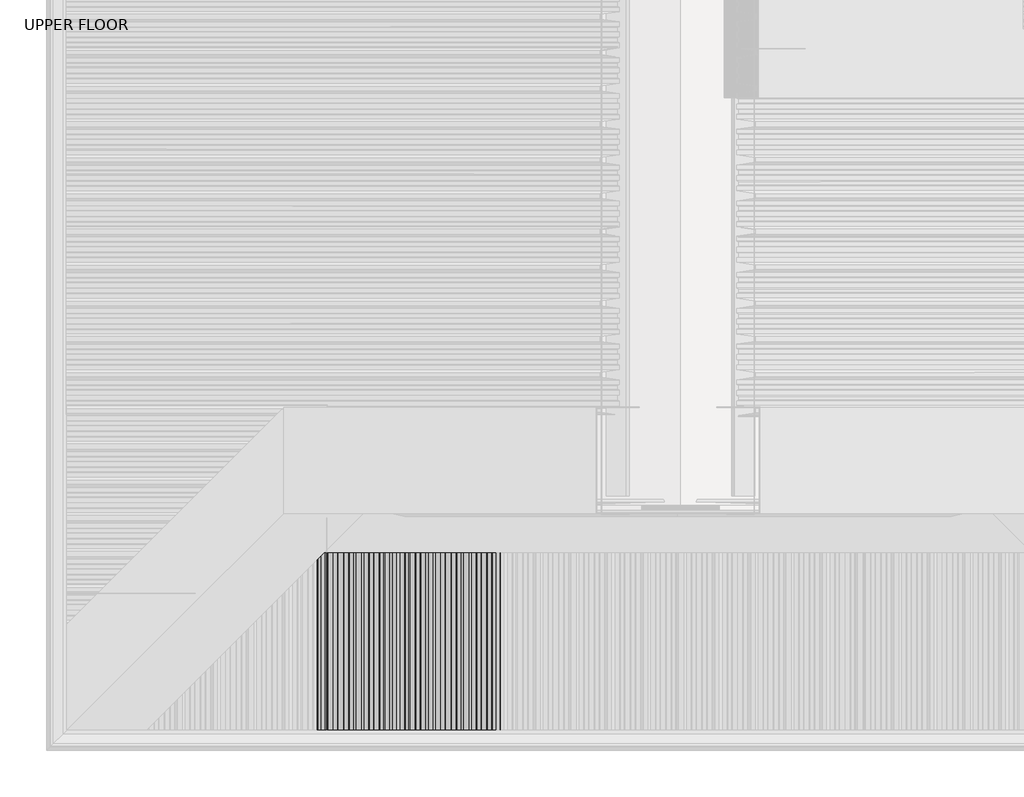
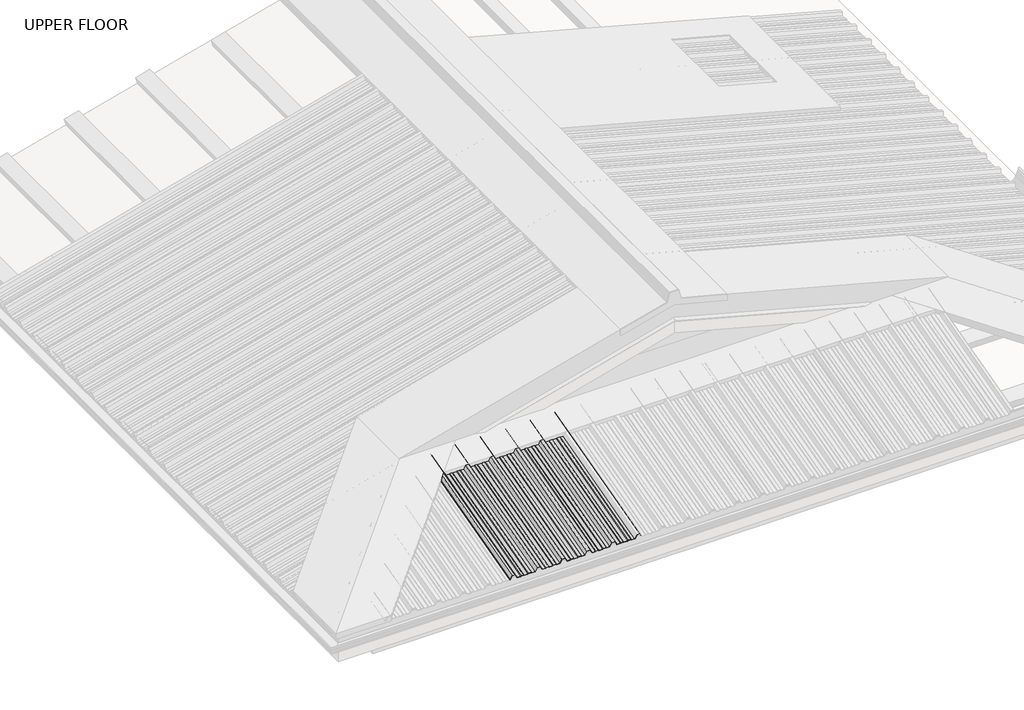
# One storey, part 4 of 21: 1 beam.
"""IFC4 building model written with IfcOpenShell, lengths in millimetres."""

from ifc_helpers import new_model, si_unit, frame, origin, place, context, project, spatial, circle_curve, ellipse_curve, element, save
from ifc_brep_helpers import plane_surface, cylinder_surface, advanced_brep

model = new_model("IFC4")

# Units and contexts
model_context = context("Model", 3, world=origin())
ifc_project = project(units=[si_unit("LENGTHUNIT", "METRE", prefix="MILLI")], contexts=[model_context])

# Site, building, storey
site = spatial("IfcSite", under=ifc_project)
building = spatial("IfcBuilding", under=site)
storey = spatial("IfcBuildingStorey", under=building, Name="UPPER FLOOR", Elevation=2700.0)

# Beam
placement = place(None, origin())
element("IfcBeam", 1, at=placement, inside=storey, context=model_context, shape_type="AdvancedBrep", body=[
    advanced_brep(
    [(1212.6640548, -3759.2956776, 3511.9124823), (1208.5374528, -3759.8133157, 3513.844334), (1190.9306177, -3759.8133157, 3513.844334), (1187.6664536, -3759.2956776, 3511.9124823), (1165.3794454, -3759.2956776, 3511.9124823), (1162.3379869, -3759.8133157, 3513.844334), (1146.6721831, -3759.8133157, 3513.844334), (1143.6285412, -3759.2956776, 3511.9124823), (1123.3061027, -3759.2956776, 3511.9124823), (1111.3207469, -3764.7308776, 3532.1969247), (1092.3195276, -3764.7308776, 3532.1969247), (1080.3061027, -3759.2956776, 3511.9124823), (1060.6640548, -3759.2956776, 3511.9124823), (1056.5374528, -3759.8133157, 3513.844334), (1038.9306177, -3759.8133157, 3513.844334), (1035.6664536, -3759.2956776, 3511.9124823), (1013.3794454, -3759.2956776, 3511.9124823), (1010.3379869, -3759.8133157, 3513.844334), (994.6721831, -3759.8133157, 3513.844334), (991.6285412, -3759.2956776, 3511.9124823), (971.3061027, -3759.2956776, 3511.9124823), (959.3207469, -3764.7308776, 3532.1969247), (940.3195276, -3764.7308776, 3532.1969247), (928.3061027, -3759.2956776, 3511.9124823), (908.6640548, -3759.2956776, 3511.9124823), (904.5374528, -3759.8133157, 3513.844334), (886.9306177, -3759.8133157, 3513.844334), (883.6664536, -3759.2956776, 3511.9124823), (861.3794454, -3759.2956776, 3511.9124823), (858.3379869, -3759.8133157, 3513.844334), (842.6721831, -3759.8133157, 3513.844334), (839.6285412, -3759.2956776, 3511.9124823), (819.3061027, -3759.2956776, 3511.9124823), (807.3207469, -3764.7308776, 3532.1969247), (788.3195276, -3764.7308776, 3532.1969247), (776.3061027, -3759.2956776, 3511.9124823), (756.6640548, -3759.2956776, 3511.9124823), (752.5374528, -3759.8133157, 3513.844334), (734.9306177, -3759.8133157, 3513.844334), (731.6664536, -3759.2956776, 3511.9124823), (709.3794454, -3759.2956776, 3511.9124823), (706.3379869, -3759.8133157, 3513.844334), (690.6721831, -3759.8133157, 3513.844334), (687.6285412, -3759.2956776, 3511.9124823), (667.3061027, -3759.2956776, 3511.9124823), (655.3207469, -3764.7308776, 3532.1969247), (636.3195276, -3764.7308776, 3532.1969247), (624.3061027, -3759.2956776, 3511.9124823), (604.6640548, -3759.2956776, 3511.9124823), (600.5374528, -3759.8133157, 3513.844334), (582.9306177, -3759.8133157, 3513.844334), (579.6664536, -3759.2956776, 3511.9124823), (557.3794454, -3759.2956776, 3511.9124823), (554.3379869, -3759.8133157, 3513.844334), (538.6721831, -3759.8133157, 3513.844334), (535.6285412, -3759.2956776, 3511.9124823), (515.3061027, -3759.2956776, 3511.9124823), (503.3207469, -3764.7308776, 3532.1969247), (484.3195276, -3764.7308776, 3532.1969247), (473.4502384, -3759.8133157, 3513.844334), (470.0147087, -3759.8133157, 3513.844334), (470.0147087, -3760.0721348, 3514.8102598), (472.9508481, -3760.0721348, 3514.8102598), (483.8201372, -3764.9896966, 3533.1628505), (503.8201372, -3764.9896966, 3533.1628505), (515.8054931, -3759.5544967, 3512.8784082), (535.3293902, -3759.5544967, 3512.8784082), (538.3730321, -3760.0721348, 3514.8102598), (554.6373174, -3760.0721348, 3514.8102598), (557.6787759, -3759.5544967, 3512.8784082), (579.3844584, -3759.5544967, 3512.8784082), (582.6486224, -3760.0721348, 3514.8102598), (600.7670127, -3760.0721348, 3514.8102598), (604.8936147, -3759.5544967, 3512.8784082), (623.8067123, -3759.5544967, 3512.8784082), (635.8201372, -3764.9896966, 3533.1628505), (655.8201372, -3764.9896966, 3533.1628505), (667.8054931, -3759.5544967, 3512.8784082), (687.3293902, -3759.5544967, 3512.8784082), (690.3730321, -3760.0721348, 3514.8102598), (706.6373174, -3760.0721348, 3514.8102598), (709.6787759, -3759.5544967, 3512.8784082), (731.3844584, -3759.5544967, 3512.8784082), (734.6486224, -3760.0721348, 3514.8102598), (752.7670127, -3760.0721348, 3514.8102598), (756.8936147, -3759.5544967, 3512.8784082), (775.8067123, -3759.5544967, 3512.8784082), (787.8201372, -3764.9896966, 3533.1628505), (807.8201372, -3764.9896966, 3533.1628505), (819.8054931, -3759.5544967, 3512.8784082), (839.3293902, -3759.5544967, 3512.8784082), (842.3730321, -3760.0721348, 3514.8102598), (858.6373174, -3760.0721348, 3514.8102598), (861.6787759, -3759.5544967, 3512.8784082), (883.3844584, -3759.5544967, 3512.8784082), (886.6486224, -3760.0721348, 3514.8102598), (904.7670127, -3760.0721348, 3514.8102598), (908.8936147, -3759.5544967, 3512.8784082), (927.8067123, -3759.5544967, 3512.8784082), (939.8201372, -3764.9896966, 3533.1628505), (959.8201372, -3764.9896966, 3533.1628505), (971.8054931, -3759.5544967, 3512.8784082), (991.3293902, -3759.5544967, 3512.8784082), (994.3730321, -3760.0721348, 3514.8102598), (1010.6373174, -3760.0721348, 3514.8102598), (1013.6787759, -3759.5544967, 3512.8784082), (1035.3844584, -3759.5544967, 3512.8784082), (1038.6486224, -3760.0721348, 3514.8102598), (1056.7670127, -3760.0721348, 3514.8102598), (1060.8936147, -3759.5544967, 3512.8784082), (1079.8067123, -3759.5544967, 3512.8784082), (1091.8201372, -3764.9896966, 3533.1628505), (1111.8201372, -3764.9896966, 3533.1628505), (1123.8054931, -3759.5544967, 3512.8784082), (1143.3293902, -3759.5544967, 3512.8784082), (1146.3730321, -3760.0721348, 3514.8102598), (1162.6373174, -3760.0721348, 3514.8102598), (1165.6787759, -3759.5544967, 3512.8784082), (1187.3844584, -3759.5544967, 3512.8784082), (1190.6486224, -3760.0721348, 3514.8102598), (1208.7670127, -3760.0721348, 3514.8102598), (1212.8936147, -3759.5544967, 3512.8784082), (1234.1108492, -3759.5544967, 3512.8784082), (1244.9801384, -3764.4720586, 3531.2309989), (1262.6587891, -3764.4720586, 3531.2309989), (1270.651034, -3760.8476815, 3517.7046396), (1269.8438422, -3760.7284463, 3517.2596477), (1262.1593987, -3764.2132395, 3530.265073), (1245.4795288, -3764.2132395, 3530.265073), (1234.6102396, -3759.2956776, 3511.9124823), (1212.6640548, -4660.4975954, 3270.4361563), (1208.5374528, -4660.4975954, 3272.5067086), (1190.9306177, -4660.4975954, 3272.5067086), (1187.6664536, -4660.4975954, 3270.4361563), (1165.3794454, -4660.4975954, 3270.4361563), (1162.3379869, -4660.4975954, 3272.5067086), (1146.6721831, -4660.4975954, 3272.5067086), (1143.6285412, -4660.4975954, 3270.4361563), (1123.3061027, -4660.4975954, 3270.4361563), (1111.3207469, -4660.4975954, 3292.176956), (1092.3195276, -4660.4975954, 3292.176956), (1080.3061027, -4660.4975954, 3270.4361563), (1060.6640548, -4660.4975954, 3270.4361563), (1056.5374528, -4660.4975954, 3272.5067086), (1038.9306177, -4660.4975954, 3272.5067086), (1035.6664536, -4660.4975954, 3270.4361563), (1013.3794454, -4660.4975954, 3270.4361563), (1010.3379869, -4660.4975954, 3272.5067086), (994.6721831, -4660.4975954, 3272.5067086), (991.6285412, -4660.4975954, 3270.4361563), (971.3061027, -4660.4975954, 3270.4361563), (959.3207469, -4660.4975954, 3292.176956), (940.3195276, -4660.4975954, 3292.176956), (928.3061027, -4660.4975954, 3270.4361563), (908.6640548, -4660.4975954, 3270.4361563), (904.5374528, -4660.4975954, 3272.5067086), (886.9306177, -4660.4975954, 3272.5067086), (883.6664536, -4660.4975954, 3270.4361563), (861.3794454, -4660.4975954, 3270.4361563), (858.3379869, -4660.4975954, 3272.5067086), (842.6721831, -4660.4975954, 3272.5067086), (839.6285412, -4660.4975954, 3270.4361563), (819.3061027, -4660.4975954, 3270.4361563), (807.3207469, -4660.4975954, 3292.176956), (788.3195276, -4660.4975954, 3292.176956), (776.3061027, -4660.4975954, 3270.4361563), (756.6640548, -4660.4975954, 3270.4361563), (752.5374528, -4660.4975954, 3272.5067086), (734.9306177, -4660.4975954, 3272.5067086), (731.6664536, -4660.4975954, 3270.4361563), (709.3794454, -4660.4975954, 3270.4361563), (706.3379869, -4660.4975954, 3272.5067086), (690.6721831, -4660.4975954, 3272.5067086), (687.6285412, -4660.4975954, 3270.4361563), (667.3061027, -4660.4975954, 3270.4361563), (655.3207469, -4660.4975954, 3292.176956), (636.3195276, -4660.4975954, 3292.176956), (624.3061027, -4660.4975954, 3270.4361563), (604.6640548, -4660.4975954, 3270.4361563), (600.5374528, -4660.4975954, 3272.5067086), (582.9306177, -4660.4975954, 3272.5067086), (579.6664536, -4660.4975954, 3270.4361563), (557.3794454, -4660.4975954, 3270.4361563), (554.3379869, -4660.4975954, 3272.5067086), (538.6721831, -4660.4975954, 3272.5067086), (535.6285412, -4660.4975954, 3270.4361563), (515.3061027, -4660.4975954, 3270.4361563), (503.3207469, -4660.4975954, 3292.176956), (484.3195276, -4660.4975954, 3292.176956), (473.4502384, -4660.4975954, 3272.5067086), (470.0147087, -4660.4975954, 3272.5067086), (470.0147087, -4660.4975954, 3273.5419848), (472.9508481, -4660.4975954, 3273.5419848), (483.8201372, -4660.4975954, 3293.2122322), (503.8201372, -4660.4975954, 3293.2122322), (515.8054931, -4660.4975954, 3271.4714324), (535.3293902, -4660.4975954, 3271.4714324), (538.3730321, -4660.4975954, 3273.5419848), (554.6373174, -4660.4975954, 3273.5419848), (557.6787759, -4660.4975954, 3271.4714324), (579.3844584, -4660.4975954, 3271.4714324), (582.6486224, -4660.4975954, 3273.5419848), (600.7670127, -4660.4975954, 3273.5419848), (604.8936147, -4660.4975954, 3271.4714324), (623.8067123, -4660.4975954, 3271.4714324), (635.8201372, -4660.4975954, 3293.2122322), (655.8201372, -4660.4975954, 3293.2122322), (667.8054931, -4660.4975954, 3271.4714324), (687.3293902, -4660.4975954, 3271.4714324), (690.3730321, -4660.4975954, 3273.5419848), (706.6373174, -4660.4975954, 3273.5419848), (709.6787759, -4660.4975954, 3271.4714324), (731.3844584, -4660.4975954, 3271.4714324), (734.6486224, -4660.4975954, 3273.5419848), (752.7670127, -4660.4975954, 3273.5419848), (756.8936147, -4660.4975954, 3271.4714324), (775.8067123, -4660.4975954, 3271.4714324), (787.8201372, -4660.4975954, 3293.2122322), (807.8201372, -4660.4975954, 3293.2122322), (819.8054931, -4660.4975954, 3271.4714324), (839.3293902, -4660.4975954, 3271.4714324), (842.3730321, -4660.4975954, 3273.5419848), (858.6373174, -4660.4975954, 3273.5419848), (861.6787759, -4660.4975954, 3271.4714324), (883.3844584, -4660.4975954, 3271.4714324), (886.6486224, -4660.4975954, 3273.5419848), (904.7670127, -4660.4975954, 3273.5419848), (908.8936147, -4660.4975954, 3271.4714324), (927.8067123, -4660.4975954, 3271.4714324), (939.8201372, -4660.4975954, 3293.2122322), (959.8201372, -4660.4975954, 3293.2122322), (971.8054931, -4660.4975954, 3271.4714324), (991.3293902, -4660.4975954, 3271.4714324), (994.3730321, -4660.4975954, 3273.5419848), (1010.6373174, -4660.4975954, 3273.5419848), (1013.6787759, -4660.4975954, 3271.4714324), (1035.3844584, -4660.4975954, 3271.4714324), (1038.6486224, -4660.4975954, 3273.5419848), (1056.7670127, -4660.4975954, 3273.5419848), (1060.8936147, -4660.4975954, 3271.4714324), (1079.8067123, -4660.4975954, 3271.4714324), (1091.8201372, -4660.4975954, 3293.2122322), (1111.8201372, -4660.4975954, 3293.2122322), (1123.8054931, -4660.4975954, 3271.4714324), (1143.3293902, -4660.4975954, 3271.4714324), (1146.3730321, -4660.4975954, 3273.5419848), (1162.6373174, -4660.4975954, 3273.5419848), (1165.6787759, -4660.4975954, 3271.4714324), (1187.3844584, -4660.4975954, 3271.4714324), (1190.6486224, -4660.4975954, 3273.5419848), (1208.7670127, -4660.4975954, 3273.5419848), (1212.8936147, -4660.4975954, 3271.4714324), (1234.1108492, -4660.4975954, 3271.4714324), (1244.9801384, -4660.4975954, 3291.1416799), (1262.6587891, -4660.4975954, 3291.1416799), (1270.651034, -4660.4975954, 3276.6441717), (1269.8438422, -4660.4975954, 3276.1672308), (1262.1593987, -4660.4975954, 3290.1064037), (1245.4795288, -4660.4975954, 3290.1064037), (1234.6102396, -4660.4975954, 3270.4361563)],
    [
        (0, 1),
        (1, 2),
        (2, 3),
        (3, 4),
        (4, 5),
        (5, 6),
        (6, 7),
        (7, 8),
        (8, 9),
        (9, 10),
        (10, 11),
        (11, 12),
        (12, 13),
        (13, 14),
        (14, 15),
        (15, 16),
        (16, 17),
        (17, 18),
        (18, 19),
        (19, 20),
        (20, 21),
        (21, 22),
        (22, 23),
        (23, 24),
        (24, 25),
        (25, 26),
        (26, 27),
        (27, 28),
        (28, 29),
        (29, 30),
        (30, 31),
        (31, 32),
        (32, 33),
        (33, 34),
        (34, 35),
        (35, 36),
        (36, 37),
        (37, 38),
        (38, 39),
        (39, 40),
        (40, 41),
        (41, 42),
        (42, 43),
        (43, 44),
        (44, 45),
        (45, 46),
        (46, 47),
        (47, 48),
        (48, 49),
        (49, 50),
        (50, 51),
        (51, 52),
        (52, 53),
        (53, 54),
        (54, 55),
        (55, 56),
        (56, 57),
        (57, 58),
        (58, 59),
        (59, 60),
        (60, 61, circle_curve(frame((470.0147087, -3759.9427253, 3514.3272969), z_axis=(0.0, 0.9659258262890683, 0.2588190451025206), x_axis=(-1.0000000000000002, 0.0, 0.0)), 0.5)),
        (61, 62),
        (62, 63),
        (63, 64),
        (64, 65),
        (65, 66),
        (66, 67),
        (67, 68),
        (68, 69),
        (69, 70),
        (70, 71),
        (71, 72),
        (72, 73),
        (73, 74),
        (74, 75),
        (75, 76),
        (76, 77),
        (77, 78),
        (78, 79),
        (79, 80),
        (80, 81),
        (81, 82),
        (82, 83),
        (83, 84),
        (84, 85),
        (85, 86),
        (86, 87),
        (87, 88),
        (88, 89),
        (89, 90),
        (90, 91),
        (91, 92),
        (92, 93),
        (93, 94),
        (94, 95),
        (95, 96),
        (96, 97),
        (97, 98),
        (98, 99),
        (99, 100),
        (100, 101),
        (101, 102),
        (102, 103),
        (103, 104),
        (104, 105),
        (105, 106),
        (106, 107),
        (107, 108),
        (108, 109),
        (109, 110),
        (110, 111),
        (111, 112),
        (112, 113),
        (113, 114),
        (114, 115),
        (115, 116),
        (116, 117),
        (117, 118),
        (118, 119),
        (119, 120),
        (120, 121),
        (121, 122),
        (122, 123),
        (123, 124),
        (124, 125),
        (125, 126, circle_curve(frame((1270.2474381, -3760.7880639, 3517.4821437), z_axis=(0.0, 0.9659258262890683, 0.2588190451025206), x_axis=(-1.0000000000000002, 0.0, 0.0)), 0.4647024)),
        (126, 127),
        (127, 128),
        (128, 129),
        (129, 0),
        (0, 130),
        (130, 131),
        (131, 1),
        (131, 132),
        (132, 2),
        (132, 133),
        (133, 3),
        (133, 134),
        (134, 4),
        (134, 135),
        (135, 5),
        (135, 136),
        (136, 6),
        (136, 137),
        (137, 7),
        (137, 138),
        (138, 8),
        (138, 139),
        (139, 9),
        (139, 140),
        (140, 10),
        (140, 141),
        (141, 11),
        (141, 142),
        (142, 12),
        (142, 143),
        (143, 13),
        (143, 144),
        (144, 14),
        (144, 145),
        (145, 15),
        (145, 146),
        (146, 16),
        (146, 147),
        (147, 17),
        (147, 148),
        (148, 18),
        (148, 149),
        (149, 19),
        (149, 150),
        (150, 20),
        (150, 151),
        (151, 21),
        (151, 152),
        (152, 22),
        (152, 153),
        (153, 23),
        (153, 154),
        (154, 24),
        (154, 155),
        (155, 25),
        (155, 156),
        (156, 26),
        (156, 157),
        (157, 27),
        (157, 158),
        (158, 28),
        (158, 159),
        (159, 29),
        (159, 160),
        (160, 30),
        (160, 161),
        (161, 31),
        (161, 162),
        (162, 32),
        (162, 163),
        (163, 33),
        (163, 164),
        (164, 34),
        (164, 165),
        (165, 35),
        (165, 166),
        (166, 36),
        (166, 167),
        (167, 37),
        (167, 168),
        (168, 38),
        (168, 169),
        (169, 39),
        (169, 170),
        (170, 40),
        (170, 171),
        (171, 41),
        (171, 172),
        (172, 42),
        (172, 173),
        (173, 43),
        (173, 174),
        (174, 44),
        (174, 175),
        (175, 45),
        (175, 176),
        (176, 46),
        (176, 177),
        (177, 47),
        (177, 178),
        (178, 48),
        (178, 179),
        (179, 49),
        (179, 180),
        (180, 50),
        (180, 181),
        (181, 51),
        (181, 182),
        (182, 52),
        (182, 183),
        (183, 53),
        (183, 184),
        (184, 54),
        (184, 185),
        (185, 55),
        (185, 186),
        (186, 56),
        (186, 187),
        (187, 57),
        (187, 188),
        (188, 58),
        (188, 189),
        (189, 59),
        (189, 190),
        (190, 60),
        (190, 191, ellipse_curve(frame((470.0147087, -4660.4975954, 3273.0243467), z_axis=(0.0, 1.0, 0.0), x_axis=(0.0, 0.0, 1.0)), 0.5176381, 0.5)),
        (191, 61),
        (191, 192),
        (192, 62),
        (192, 193),
        (193, 63),
        (193, 194),
        (194, 64),
        (194, 195),
        (195, 65),
        (195, 196),
        (196, 66),
        (196, 197),
        (197, 67),
        (197, 198),
        (198, 68),
        (198, 199),
        (199, 69),
        (199, 200),
        (200, 70),
        (200, 201),
        (201, 71),
        (201, 202),
        (202, 72),
        (202, 203),
        (203, 73),
        (203, 204),
        (204, 74),
        (204, 205),
        (205, 75),
        (205, 206),
        (206, 76),
        (206, 207),
        (207, 77),
        (207, 208),
        (208, 78),
        (208, 209),
        (209, 79),
        (209, 210),
        (210, 80),
        (210, 211),
        (211, 81),
        (211, 212),
        (212, 82),
        (212, 213),
        (213, 83),
        (213, 214),
        (214, 84),
        (214, 215),
        (215, 85),
        (215, 216),
        (216, 86),
        (216, 217),
        (217, 87),
        (217, 218),
        (218, 88),
        (218, 219),
        (219, 89),
        (219, 220),
        (220, 90),
        (220, 221),
        (221, 91),
        (221, 222),
        (222, 92),
        (222, 223),
        (223, 93),
        (223, 224),
        (224, 94),
        (224, 225),
        (225, 95),
        (225, 226),
        (226, 96),
        (226, 227),
        (227, 97),
        (227, 228),
        (228, 98),
        (228, 229),
        (229, 99),
        (229, 230),
        (230, 100),
        (230, 231),
        (231, 101),
        (231, 232),
        (232, 102),
        (232, 233),
        (233, 103),
        (233, 234),
        (234, 104),
        (234, 235),
        (235, 105),
        (235, 236),
        (236, 106),
        (236, 237),
        (237, 107),
        (237, 238),
        (238, 108),
        (238, 239),
        (239, 109),
        (239, 240),
        (240, 110),
        (240, 241),
        (241, 111),
        (241, 242),
        (242, 112),
        (242, 243),
        (243, 113),
        (243, 244),
        (244, 114),
        (244, 245),
        (245, 115),
        (245, 246),
        (246, 116),
        (246, 247),
        (247, 117),
        (247, 248),
        (248, 118),
        (248, 249),
        (249, 119),
        (249, 250),
        (250, 120),
        (250, 251),
        (251, 121),
        (251, 252),
        (252, 122),
        (252, 253),
        (253, 123),
        (253, 254),
        (254, 124),
        (254, 255),
        (255, 125),
        (255, 256, ellipse_curve(frame((1270.2474381, -4660.4975954, 3276.4057013), z_axis=(0.0, 1.0, 0.0), x_axis=(0.0, 0.0, 1.0)), 0.4810953, 0.4647024)),
        (256, 126),
        (256, 257),
        (257, 127),
        (257, 258),
        (258, 128),
        (258, 259),
        (259, 129),
        (259, 130),
    ],
    [
        plane_surface(frame((1212.6640548, -3759.2956776, 3511.9124823), z_axis=(0.0, 0.9659258262890684, 0.2588190451025203), x_axis=(-0.8998805887467904, -0.11288039666962545, 0.42127537554957795))),
        plane_surface(frame((1212.6640548, -3759.2956776, 3511.9124823), z_axis=(-0.43613636169978987, 0.23290623468573907, -0.8692179012467366), x_axis=(0.0, -0.9659258262890683, -0.2588190451025206))),
        plane_surface(frame((1208.5374528, -3759.8133157, 3513.844334), z_axis=(0.0, 0.2588190451025206, -0.9659258262890683), x_axis=(0.0, -0.9659258262890683, -0.2588190451025206))),
        plane_surface(frame((1190.9306177, -3759.8133157, 3513.844334), z_axis=(0.5224449573492955, 0.2206880149246298, -0.8236188843202413), x_axis=(0.0, -0.9659258262890683, -0.2588190451025206))),
        plane_surface(frame((1187.6664536, -3759.2956776, 3511.9124823), z_axis=(0.0, 0.2588190451025206, -0.9659258262890683), x_axis=(0.0, -0.9659258262890683, -0.2588190451025206))),
        plane_surface(frame((1165.3794454, -3759.2956776, 3511.9124823), z_axis=(-0.5494325148836754, 0.2162531724200961, -0.8070678267697482), x_axis=(0.0, -0.9659258262890683, -0.2588190451025206))),
        plane_surface(frame((1162.3379869, -3759.8133157, 3513.844334), z_axis=(0.0, 0.2588190451025206, -0.9659258262890683), x_axis=(0.0, -0.9659258262890683, -0.2588190451025206))),
        plane_surface(frame((1146.6721831, -3759.8133157, 3513.844334), z_axis=(0.5491572662555969, 0.21630000128988544, -0.8072425944910705), x_axis=(0.0, -0.9659258262890683, -0.2588190451025206))),
        plane_surface(frame((1143.6285412, -3759.2956776, 3511.9124823), z_axis=(0.0, 0.2588190451025206, -0.9659258262890683), x_axis=(0.0, -0.9659258262890683, -0.2588190451025206))),
        plane_surface(frame((1123.3061027, -3759.2956776, 3511.9124823), z_axis=(-0.8685039140295309, 0.12829202185299526, -0.47879234376110924), x_axis=(0.0, -0.9659258262890683, -0.2588190451025206))),
        plane_surface(frame((1111.3207469, -3764.7308776, 3532.1969247), z_axis=(0.0, 0.2588190451025206, -0.9659258262890683), x_axis=(0.0, -0.9659258262890683, -0.2588190451025206))),
        plane_surface(frame((1092.3195276, -3764.7308776, 3532.1969247), z_axis=(0.8680040081860072, 0.12851845745027873, -0.47963741291482553), x_axis=(0.0, -0.9659258262890683, -0.2588190451025206))),
        plane_surface(frame((1080.3061027, -3759.2956776, 3511.9124823), z_axis=(0.0, 0.2588190451025206, -0.9659258262890683), x_axis=(0.0, -0.9659258262890683, -0.2588190451025206))),
        plane_surface(frame((1060.6640548, -3759.2956776, 3511.9124823), z_axis=(-0.43613636169978987, 0.23290623468573907, -0.8692179012467366), x_axis=(0.0, -0.9659258262890683, -0.2588190451025206))),
        plane_surface(frame((1056.5374528, -3759.8133157, 3513.844334), z_axis=(0.0, 0.2588190451025206, -0.9659258262890683), x_axis=(0.0, -0.9659258262890683, -0.2588190451025206))),
        plane_surface(frame((1038.9306177, -3759.8133157, 3513.844334), z_axis=(0.5224449573492995, 0.22068801492462917, -0.823618884320239), x_axis=(0.0, -0.9659258262890683, -0.2588190451025206))),
        plane_surface(frame((1035.6664536, -3759.2956776, 3511.9124823), z_axis=(0.0, 0.2588190451025206, -0.9659258262890683), x_axis=(0.0, -0.9659258262890683, -0.2588190451025206))),
        plane_surface(frame((1013.3794454, -3759.2956776, 3511.9124823), z_axis=(-0.5494325148836772, 0.21625317242009579, -0.807067826769747), x_axis=(0.0, -0.9659258262890683, -0.2588190451025206))),
        plane_surface(frame((1010.3379869, -3759.8133157, 3513.844334), z_axis=(0.0, 0.2588190451025206, -0.9659258262890683), x_axis=(0.0, -0.9659258262890683, -0.2588190451025206))),
        plane_surface(frame((994.6721831, -3759.8133157, 3513.844334), z_axis=(0.5491572662555921, 0.21630000128988627, -0.8072425944910736), x_axis=(0.0, -0.9659258262890683, -0.2588190451025206))),
        plane_surface(frame((991.6285412, -3759.2956776, 3511.9124823), z_axis=(0.0, 0.2588190451025206, -0.9659258262890683), x_axis=(0.0, -0.9659258262890683, -0.2588190451025206))),
        plane_surface(frame((971.3061027, -3759.2956776, 3511.9124823), z_axis=(-0.8685039140295301, 0.12829202185299549, -0.4787923437611103), x_axis=(0.0, -0.9659258262890683, -0.2588190451025206))),
        plane_surface(frame((959.3207469, -3764.7308776, 3532.1969247), z_axis=(0.0, 0.2588190451025206, -0.9659258262890683), x_axis=(0.0, -0.9659258262890683, -0.2588190451025206))),
        plane_surface(frame((940.3195276, -3764.7308776, 3532.1969247), z_axis=(0.8680040081860078, 0.12851845745027846, -0.4796374129148245), x_axis=(0.0, -0.9659258262890683, -0.2588190451025206))),
        plane_surface(frame((928.3061027, -3759.2956776, 3511.9124823), z_axis=(0.0, 0.2588190451025206, -0.9659258262890683), x_axis=(0.0, -0.9659258262890683, -0.2588190451025206))),
        plane_surface(frame((908.6640548, -3759.2956776, 3511.9124823), z_axis=(-0.436136361699787, 0.23290623468573945, -0.8692179012467379), x_axis=(0.0, -0.9659258262890683, -0.2588190451025206))),
        plane_surface(frame((904.5374528, -3759.8133157, 3513.844334), z_axis=(0.0, 0.2588190451025206, -0.9659258262890683), x_axis=(0.0, -0.9659258262890683, -0.2588190451025206))),
        plane_surface(frame((886.9306177, -3759.8133157, 3513.844334), z_axis=(0.522444957349302, 0.2206880149246288, -0.8236188843202376), x_axis=(0.0, -0.9659258262890683, -0.2588190451025206))),
        plane_surface(frame((883.6664536, -3759.2956776, 3511.9124823), z_axis=(0.0, 0.2588190451025206, -0.9659258262890683), x_axis=(0.0, -0.9659258262890683, -0.2588190451025206))),
        plane_surface(frame((861.3794454, -3759.2956776, 3511.9124823), z_axis=(-0.5494325148836601, 0.21625317242009867, -0.8070678267697579), x_axis=(0.0, -0.9659258262890683, -0.2588190451025206))),
        plane_surface(frame((858.3379869, -3759.8133157, 3513.844334), z_axis=(0.0, 0.2588190451025206, -0.9659258262890683), x_axis=(0.0, -0.9659258262890683, -0.2588190451025206))),
        plane_surface(frame((842.6721831, -3759.8133157, 3513.844334), z_axis=(0.5491572662555921, 0.21630000128988627, -0.8072425944910736), x_axis=(0.0, -0.9659258262890683, -0.2588190451025206))),
        plane_surface(frame((839.6285412, -3759.2956776, 3511.9124823), z_axis=(0.0, 0.2588190451025206, -0.9659258262890683), x_axis=(0.0, -0.9659258262890683, -0.2588190451025206))),
        plane_surface(frame((819.3061027, -3759.2956776, 3511.9124823), z_axis=(-0.8685039140295309, 0.12829202185299524, -0.47879234376110924), x_axis=(0.0, -0.9659258262890683, -0.2588190451025206))),
        plane_surface(frame((807.3207469, -3764.7308776, 3532.1969247), z_axis=(0.0, 0.2588190451025206, -0.9659258262890683), x_axis=(0.0, -0.9659258262890683, -0.2588190451025206))),
        plane_surface(frame((788.3195276, -3764.7308776, 3532.1969247), z_axis=(0.8680040081860078, 0.12851845745027846, -0.4796374129148245), x_axis=(0.0, -0.9659258262890683, -0.2588190451025206))),
        plane_surface(frame((776.3061027, -3759.2956776, 3511.9124823), z_axis=(0.0, 0.2588190451025206, -0.9659258262890683), x_axis=(0.0, -0.9659258262890683, -0.2588190451025206))),
        plane_surface(frame((756.6640548, -3759.2956776, 3511.9124823), z_axis=(-0.43613636169978987, 0.23290623468573907, -0.8692179012467366), x_axis=(0.0, -0.9659258262890683, -0.2588190451025206))),
        plane_surface(frame((752.5374528, -3759.8133157, 3513.844334), z_axis=(0.0, 0.2588190451025206, -0.9659258262890683), x_axis=(0.0, -0.9659258262890683, -0.2588190451025206))),
        plane_surface(frame((734.9306177, -3759.8133157, 3513.844334), z_axis=(0.5224449573492986, 0.22068801492462928, -0.8236188843202394), x_axis=(0.0, -0.9659258262890683, -0.2588190451025206))),
        plane_surface(frame((731.6664536, -3759.2956776, 3511.9124823), z_axis=(0.0, 0.2588190451025206, -0.9659258262890683), x_axis=(0.0, -0.9659258262890683, -0.2588190451025206))),
        plane_surface(frame((709.3794454, -3759.2956776, 3511.9124823), z_axis=(-0.5494325148836686, 0.21625317242009726, -0.8070678267697524), x_axis=(0.0, -0.9659258262890683, -0.2588190451025206))),
        plane_surface(frame((706.3379869, -3759.8133157, 3513.844334), z_axis=(0.0, 0.2588190451025206, -0.9659258262890683), x_axis=(0.0, -0.9659258262890683, -0.2588190451025206))),
        plane_surface(frame((690.6721831, -3759.8133157, 3513.844334), z_axis=(0.5491572662555904, 0.21630000128988655, -0.8072425944910747), x_axis=(0.0, -0.9659258262890683, -0.2588190451025206))),
        plane_surface(frame((687.6285412, -3759.2956776, 3511.9124823), z_axis=(0.0, 0.2588190451025206, -0.9659258262890683), x_axis=(0.0, -0.9659258262890683, -0.2588190451025206))),
        plane_surface(frame((667.3061027, -3759.2956776, 3511.9124823), z_axis=(-0.8685039140295304, 0.12829202185299524, -0.4787923437611093), x_axis=(0.0, -0.9659258262890683, -0.2588190451025206))),
        plane_surface(frame((655.3207469, -3764.7308776, 3532.1969247), z_axis=(0.0, 0.2588190451025206, -0.9659258262890683), x_axis=(0.0, -0.9659258262890683, -0.2588190451025206))),
        plane_surface(frame((636.3195276, -3764.7308776, 3532.1969247), z_axis=(0.8680040081860078, 0.12851845745027823, -0.47963741291482453), x_axis=(0.0, -0.9659258262890683, -0.2588190451025205))),
        plane_surface(frame((624.3061027, -3759.2956776, 3511.9124823), z_axis=(0.0, 0.2588190451025206, -0.9659258262890683), x_axis=(0.0, -0.9659258262890683, -0.2588190451025206))),
        plane_surface(frame((604.6640548, -3759.2956776, 3511.9124823), z_axis=(-0.4361363616997928, 0.23290623468573884, -0.8692179012467353), x_axis=(0.0, -0.9659258262890683, -0.25881904510252063))),
        plane_surface(frame((600.5374528, -3759.8133157, 3513.844334), z_axis=(0.0, 0.2588190451025206, -0.9659258262890683), x_axis=(0.0, -0.9659258262890683, -0.2588190451025206))),
        plane_surface(frame((582.9306177, -3759.8133157, 3513.844334), z_axis=(0.5224449573492986, 0.22068801492462925, -0.8236188843202394), x_axis=(0.0, -0.9659258262890683, -0.2588190451025206))),
        plane_surface(frame((579.6664536, -3759.2956776, 3511.9124823), z_axis=(0.0, 0.2588190451025206, -0.9659258262890683), x_axis=(0.0, -0.9659258262890683, -0.2588190451025206))),
        plane_surface(frame((557.3794454, -3759.2956776, 3511.9124823), z_axis=(-0.5494325148836804, 0.21625317242009529, -0.807067826769745), x_axis=(0.0, -0.9659258262890683, -0.2588190451025206))),
        plane_surface(frame((554.3379869, -3759.8133157, 3513.844334), z_axis=(0.0, 0.2588190451025206, -0.9659258262890683), x_axis=(0.0, -0.9659258262890683, -0.2588190451025206))),
        plane_surface(frame((538.6721831, -3759.8133157, 3513.844334), z_axis=(0.5491572662555952, 0.21630000128988566, -0.8072425944910716), x_axis=(0.0, -0.9659258262890683, -0.2588190451025206))),
        plane_surface(frame((535.6285412, -3759.2956776, 3511.9124823), z_axis=(0.0, 0.2588190451025206, -0.9659258262890683), x_axis=(0.0, -0.9659258262890683, -0.2588190451025206))),
        plane_surface(frame((515.3061027, -3759.2956776, 3511.9124823), z_axis=(-0.868503914029533, 0.12829202185299426, -0.47879234376110547), x_axis=(0.0, -0.9659258262890683, -0.2588190451025206))),
        plane_surface(frame((503.3207469, -3764.7308776, 3532.1969247), z_axis=(0.0, 0.2588190451025206, -0.9659258262890683), x_axis=(0.0, -0.9659258262890683, -0.2588190451025206))),
        plane_surface(frame((484.3195276, -3764.7308776, 3532.1969247), z_axis=(0.8680040081860114, 0.12851845745027676, -0.4796374129148184), x_axis=(0.0, -0.9659258262890683, -0.2588190451025206))),
        plane_surface(frame((473.4502384, -3759.8133157, 3513.844334), z_axis=(0.0, 0.2588190451025206, -0.9659258262890683), x_axis=(0.0, -0.9659258262890683, -0.2588190451025206))),
        cylinder_surface(frame((470.0147087, -4672.7430827, 3269.7431783), z_axis=(0.0, 0.9659258262890683, 0.2588190451025206), x_axis=(-1.0000000000000002, 0.0, 0.0)), 0.5),
        plane_surface(frame((470.0147087, -3760.0721348, 3514.8102598), z_axis=(0.0, -0.2588190451025206, 0.9659258262890683), x_axis=(0.0, -0.9659258262890683, -0.2588190451025206))),
        plane_surface(frame((472.9508481, -3760.0721348, 3514.8102598), z_axis=(-0.8680040081860114, -0.12851845745027676, 0.4796374129148184), x_axis=(0.0, -0.9659258262890683, -0.2588190451025206))),
        plane_surface(frame((483.8201372, -3764.9896966, 3533.1628505), z_axis=(0.0, -0.2588190451025206, 0.9659258262890683), x_axis=(0.0, -0.9659258262890683, -0.2588190451025206))),
        plane_surface(frame((503.8201372, -3764.9896966, 3533.1628505), z_axis=(0.8685039140295302, -0.1282920218529955, 0.4787923437611101), x_axis=(0.0, -0.9659258262890683, -0.2588190451025206))),
        plane_surface(frame((515.8054931, -3759.5544967, 3512.8784082), z_axis=(0.0, -0.2588190451025206, 0.9659258262890683), x_axis=(0.0, -0.9659258262890683, -0.2588190451025206))),
        plane_surface(frame((535.3293902, -3759.5544967, 3512.8784082), z_axis=(-0.549157266255592, -0.21630000128988622, 0.8072425944910736), x_axis=(0.0, -0.9659258262890683, -0.2588190451025206))),
        plane_surface(frame((538.3730321, -3760.0721348, 3514.8102598), z_axis=(0.0, -0.2588190451025206, 0.9659258262890683), x_axis=(0.0, -0.9659258262890683, -0.2588190451025206))),
        plane_surface(frame((554.6373174, -3760.0721348, 3514.8102598), z_axis=(0.5494325148836804, -0.21625317242009529, 0.807067826769745), x_axis=(0.0, -0.9659258262890683, -0.2588190451025206))),
        plane_surface(frame((557.6787759, -3759.5544967, 3512.8784082), z_axis=(0.0, -0.2588190451025206, 0.9659258262890683), x_axis=(0.0, -0.9659258262890683, -0.2588190451025206))),
        plane_surface(frame((579.3844584, -3759.5544967, 3512.8784082), z_axis=(-0.5224449573493112, -0.22068801492462728, 0.823618884320232), x_axis=(0.0, -0.9659258262890683, -0.2588190451025206))),
        plane_surface(frame((582.6486224, -3760.0721348, 3514.8102598), z_axis=(0.0, -0.2588190451025206, 0.9659258262890683), x_axis=(0.0, -0.9659258262890683, -0.2588190451025206))),
        plane_surface(frame((600.7670127, -3760.0721348, 3514.8102598), z_axis=(0.43613636169978987, -0.2329062346857391, 0.8692179012467366), x_axis=(0.0, -0.9659258262890683, -0.2588190451025206))),
        plane_surface(frame((604.8936147, -3759.5544967, 3512.8784082), z_axis=(0.0, -0.2588190451025206, 0.9659258262890683), x_axis=(0.0, -0.9659258262890683, -0.2588190451025206))),
        plane_surface(frame((623.8067123, -3759.5544967, 3512.8784082), z_axis=(-0.8680040081860076, -0.12851845745027848, 0.47963741291482476), x_axis=(0.0, -0.9659258262890683, -0.2588190451025206))),
        plane_surface(frame((635.8201372, -3764.9896966, 3533.1628505), z_axis=(0.0, -0.2588190451025205, 0.9659258262890683), x_axis=(0.0, -0.9659258262890683, -0.2588190451025205))),
        plane_surface(frame((655.8201372, -3764.9896966, 3533.1628505), z_axis=(0.8685039140295304, -0.1282920218529953, 0.47879234376110946), x_axis=(0.0, -0.9659258262890683, -0.2588190451025206))),
        plane_surface(frame((667.8054931, -3759.5544967, 3512.8784082), z_axis=(0.0, -0.2588190451025206, 0.9659258262890683), x_axis=(0.0, -0.9659258262890683, -0.2588190451025206))),
        plane_surface(frame((687.3293902, -3759.5544967, 3512.8784082), z_axis=(-0.5491572662555889, -0.21630000128988683, 0.8072425944910757), x_axis=(0.0, -0.9659258262890683, -0.2588190451025206))),
        plane_surface(frame((690.3730321, -3760.0721348, 3514.8102598), z_axis=(0.0, -0.2588190451025206, 0.9659258262890683), x_axis=(0.0, -0.9659258262890683, -0.2588190451025206))),
        plane_surface(frame((706.6373174, -3760.0721348, 3514.8102598), z_axis=(0.5494325148836653, -0.21625317242009776, 0.8070678267697544), x_axis=(0.0, -0.9659258262890683, -0.2588190451025206))),
        plane_surface(frame((709.6787759, -3759.5544967, 3512.8784082), z_axis=(0.0, -0.2588190451025206, 0.9659258262890683), x_axis=(0.0, -0.9659258262890683, -0.2588190451025206))),
        plane_surface(frame((731.3844584, -3759.5544967, 3512.8784082), z_axis=(-0.5224449573493032, -0.22068801492462856, 0.8236188843202368), x_axis=(0.0, -0.9659258262890683, -0.2588190451025206))),
        plane_surface(frame((734.6486224, -3760.0721348, 3514.8102598), z_axis=(0.0, -0.2588190451025206, 0.9659258262890683), x_axis=(0.0, -0.9659258262890683, -0.2588190451025206))),
        plane_surface(frame((752.7670127, -3760.0721348, 3514.8102598), z_axis=(0.436136361699781, -0.23290623468574018, 0.8692179012467407), x_axis=(0.0, -0.9659258262890683, -0.2588190451025206))),
        plane_surface(frame((756.8936147, -3759.5544967, 3512.8784082), z_axis=(0.0, -0.2588190451025206, 0.9659258262890683), x_axis=(0.0, -0.9659258262890683, -0.2588190451025206))),
        plane_surface(frame((775.8067123, -3759.5544967, 3512.8784082), z_axis=(-0.8680040081860066, -0.128518457450279, 0.4796374129148265), x_axis=(0.0, -0.9659258262890683, -0.2588190451025206))),
        plane_surface(frame((787.8201372, -3764.9896966, 3533.1628505), z_axis=(0.0, -0.2588190451025206, 0.9659258262890683), x_axis=(0.0, -0.9659258262890683, -0.2588190451025206))),
        plane_surface(frame((807.8201372, -3764.9896966, 3533.1628505), z_axis=(0.8685039140295309, -0.12829202185299524, 0.47879234376110924), x_axis=(0.0, -0.9659258262890683, -0.2588190451025206))),
        plane_surface(frame((819.8054931, -3759.5544967, 3512.8784082), z_axis=(0.0, -0.2588190451025206, 0.9659258262890683), x_axis=(0.0, -0.9659258262890683, -0.2588190451025206))),
        plane_surface(frame((839.3293902, -3759.5544967, 3512.8784082), z_axis=(-0.5491572662555921, -0.21630000128988627, 0.8072425944910736), x_axis=(0.0, -0.9659258262890683, -0.2588190451025206))),
        plane_surface(frame((842.3730321, -3760.0721348, 3514.8102598), z_axis=(0.0, -0.2588190451025206, 0.9659258262890683), x_axis=(0.0, -0.9659258262890683, -0.2588190451025206))),
        plane_surface(frame((858.6373174, -3760.0721348, 3514.8102598), z_axis=(0.5494325148836601, -0.21625317242009867, 0.8070678267697579), x_axis=(0.0, -0.9659258262890683, -0.2588190451025206))),
        plane_surface(frame((861.6787759, -3759.5544967, 3512.8784082), z_axis=(0.0, -0.2588190451025206, 0.9659258262890683), x_axis=(0.0, -0.9659258262890683, -0.2588190451025206))),
        plane_surface(frame((883.3844584, -3759.5544967, 3512.8784082), z_axis=(-0.5224449573492955, -0.2206880149246298, 0.8236188843202413), x_axis=(0.0, -0.9659258262890683, -0.2588190451025206))),
        plane_surface(frame((886.6486224, -3760.0721348, 3514.8102598), z_axis=(0.0, -0.2588190451025206, 0.9659258262890683), x_axis=(0.0, -0.9659258262890683, -0.2588190451025206))),
        plane_surface(frame((904.7670127, -3760.0721348, 3514.8102598), z_axis=(0.436136361699784, -0.2329062346857398, 0.8692179012467393), x_axis=(0.0, -0.9659258262890683, -0.2588190451025206))),
        plane_surface(frame((908.8936147, -3759.5544967, 3512.8784082), z_axis=(0.0, -0.2588190451025206, 0.9659258262890683), x_axis=(0.0, -0.9659258262890683, -0.2588190451025206))),
        plane_surface(frame((927.8067123, -3759.5544967, 3512.8784082), z_axis=(-0.8680040081860054, -0.12851845745027948, 0.4796374129148286), x_axis=(0.0, -0.9659258262890683, -0.2588190451025206))),
        plane_surface(frame((939.8201372, -3764.9896966, 3533.1628505), z_axis=(0.0, -0.2588190451025206, 0.9659258262890683), x_axis=(0.0, -0.9659258262890683, -0.2588190451025206))),
        plane_surface(frame((959.8201372, -3764.9896966, 3533.1628505), z_axis=(0.8685039140295304, -0.1282920218529953, 0.47879234376110946), x_axis=(0.0, -0.9659258262890683, -0.2588190451025206))),
        plane_surface(frame((971.8054931, -3759.5544967, 3512.8784082), z_axis=(0.0, -0.2588190451025206, 0.9659258262890683), x_axis=(0.0, -0.9659258262890683, -0.2588190451025206))),
        plane_surface(frame((991.3293902, -3759.5544967, 3512.8784082), z_axis=(-0.5491572662555889, -0.21630000128988683, 0.8072425944910757), x_axis=(0.0, -0.9659258262890683, -0.2588190451025206))),
        plane_surface(frame((994.3730321, -3760.0721348, 3514.8102598), z_axis=(0.0, -0.2588190451025206, 0.9659258262890683), x_axis=(0.0, -0.9659258262890683, -0.2588190451025206))),
        plane_surface(frame((1010.6373174, -3760.0721348, 3514.8102598), z_axis=(0.5494325148836695, -0.21625317242009703, 0.8070678267697518), x_axis=(0.0, -0.9659258262890683, -0.2588190451025206))),
        plane_surface(frame((1013.6787759, -3759.5544967, 3512.8784082), z_axis=(0.0, -0.2588190451025206, 0.9659258262890683), x_axis=(0.0, -0.9659258262890683, -0.2588190451025206))),
        plane_surface(frame((1035.3844584, -3759.5544967, 3512.8784082), z_axis=(-0.5224449573493073, -0.22068801492462795, 0.8236188843202343), x_axis=(0.0, -0.9659258262890683, -0.2588190451025206))),
        plane_surface(frame((1038.6486224, -3760.0721348, 3514.8102598), z_axis=(0.0, -0.2588190451025206, 0.9659258262890683), x_axis=(0.0, -0.9659258262890683, -0.2588190451025206))),
        plane_surface(frame((1056.7670127, -3760.0721348, 3514.8102598), z_axis=(0.4361363616997869, -0.23290623468573943, 0.8692179012467379), x_axis=(0.0, -0.9659258262890683, -0.2588190451025206))),
        plane_surface(frame((1060.8936147, -3759.5544967, 3512.8784082), z_axis=(0.0, -0.2588190451025206, 0.9659258262890683), x_axis=(0.0, -0.9659258262890683, -0.2588190451025206))),
        plane_surface(frame((1079.8067123, -3759.5544967, 3512.8784082), z_axis=(-0.868004008186007, -0.1285184574502788, 0.47963741291482576), x_axis=(0.0, -0.9659258262890683, -0.2588190451025206))),
        plane_surface(frame((1091.8201372, -3764.9896966, 3533.1628505), z_axis=(0.0, -0.2588190451025206, 0.9659258262890683), x_axis=(0.0, -0.9659258262890683, -0.2588190451025206))),
        plane_surface(frame((1111.8201372, -3764.9896966, 3533.1628505), z_axis=(0.8685039140295304, -0.1282920218529953, 0.47879234376110946), x_axis=(0.0, -0.9659258262890683, -0.2588190451025206))),
        plane_surface(frame((1123.8054931, -3759.5544967, 3512.8784082), z_axis=(0.0, -0.2588190451025206, 0.9659258262890683), x_axis=(0.0, -0.9659258262890683, -0.2588190451025206))),
        plane_surface(frame((1143.3293902, -3759.5544967, 3512.8784082), z_axis=(-0.5491572662555937, -0.21630000128988602, 0.8072425944910727), x_axis=(0.0, -0.9659258262890683, -0.2588190451025206))),
        plane_surface(frame((1146.3730321, -3760.0721348, 3514.8102598), z_axis=(0.0, -0.2588190451025206, 0.9659258262890683), x_axis=(0.0, -0.9659258262890683, -0.2588190451025206))),
        plane_surface(frame((1162.6373174, -3760.0721348, 3514.8102598), z_axis=(0.5494325148836706, -0.2162531724200969, 0.8070678267697512), x_axis=(0.0, -0.9659258262890683, -0.2588190451025206))),
        plane_surface(frame((1165.6787759, -3759.5544967, 3512.8784082), z_axis=(0.0, -0.2588190451025206, 0.9659258262890683), x_axis=(0.0, -0.9659258262890683, -0.2588190451025206))),
        plane_surface(frame((1187.3844584, -3759.5544967, 3512.8784082), z_axis=(-0.5224449573493064, -0.22068801492462808, 0.8236188843202349), x_axis=(0.0, -0.9659258262890683, -0.2588190451025206))),
        plane_surface(frame((1190.6486224, -3760.0721348, 3514.8102598), z_axis=(0.0, -0.2588190451025206, 0.9659258262890683), x_axis=(0.0, -0.9659258262890683, -0.2588190451025206))),
        plane_surface(frame((1208.7670127, -3760.0721348, 3514.8102598), z_axis=(0.4361363616997868, -0.23290623468573945, 0.869217901246738), x_axis=(0.0, -0.9659258262890683, -0.2588190451025206))),
        plane_surface(frame((1212.8936147, -3759.5544967, 3512.8784082), z_axis=(0.0, -0.2588190451025206, 0.9659258262890683), x_axis=(0.0, -0.9659258262890683, -0.2588190451025206))),
        plane_surface(frame((1234.1108492, -3759.5544967, 3512.8784082), z_axis=(-0.8680040081860063, -0.12851845745027915, 0.47963741291482703), x_axis=(0.0, -0.9659258262890683, -0.2588190451025206))),
        plane_surface(frame((1244.9801384, -3764.4720586, 3531.2309989), z_axis=(0.0, -0.2588190451025206, 0.9659258262890683), x_axis=(0.0, -0.9659258262890683, -0.2588190451025206))),
        plane_surface(frame((1262.6587891, -3764.4720586, 3531.2309989), z_axis=(0.8685039140295301, -0.1282920218529954, 0.4787923437611099), x_axis=(0.0, -0.9659258262890683, -0.2588190451025206))),
        cylinder_surface(frame((1270.2474381, -4673.5884213, 3272.898025), z_axis=(0.0, 0.9659258262890683, 0.2588190451025206), x_axis=(-1.0000000000000002, 0.0, 0.0)), 0.4647024),
        plane_surface(frame((1269.8438422, -3760.7284463, 3517.2596477), z_axis=(-0.8685039140294998, 0.12829202185300922, -0.4787923437611615), x_axis=(0.0, -0.9659258262890683, -0.2588190451025206))),
        plane_surface(frame((1262.1593987, -3764.2132395, 3530.265073), z_axis=(0.0, 0.2588190451025206, -0.9659258262890683), x_axis=(0.0, -0.9659258262890683, -0.2588190451025206))),
        plane_surface(frame((1245.4795288, -3764.2132395, 3530.265073), z_axis=(0.868004008186008, 0.12851845745027835, -0.4796374129148241), x_axis=(0.0, -0.9659258262890683, -0.2588190451025206))),
        plane_surface(frame((1234.6102396, -3759.2956776, 3511.9124823), z_axis=(0.0, 0.2588190451025206, -0.9659258262890683), x_axis=(0.0, -0.9659258262890683, -0.2588190451025206))),
        plane_surface(frame((-2069.0902423, -4660.4975954, 4094.1480288), z_axis=(0.0, -1.0, 0.0), x_axis=(0.0, 0.0, -1.0))),
    ],
    [
        (0, [[1, 2, 3, 4, 5, 6, 7, 8, 9, 10, 11, 12, 13, 14, 15, 16, 17, 18, 19, 20, 21, 22, 23, 24, 25, 26, 27, 28, 29, 30, 31, 32, 33, 34, 35, 36, 37, 38, 39, 40, 41, 42, 43, 44, 45, 46, 47, 48, 49, 50, 51, 52, 53, 54, 55, 56, 57, 58, 59, 60, 61, 62, 63, 64, 65, 66, 67, 68, 69, 70, 71, 72, 73, 74, 75, 76, 77, 78, 79, 80, 81, 82, 83, 84, 85, 86, 87, 88, 89, 90, 91, 92, 93, 94, 95, 96, 97, 98, 99, 100, 101, 102, 103, 104, 105, 106, 107, 108, 109, 110, 111, 112, 113, 114, 115, 116, 117, 118, 119, 120, 121, 122, 123, 124, 125, 126, 127, 128, 129, 130]]),
        (1, [[-1, 131, 132, 133]]),
        (2, [[-2, -133, 134, 135]]),
        (3, [[-3, -135, 136, 137]]),
        (4, [[-4, -137, 138, 139]]),
        (5, [[-5, -139, 140, 141]]),
        (6, [[-6, -141, 142, 143]]),
        (7, [[-7, -143, 144, 145]]),
        (8, [[-8, -145, 146, 147]]),
        (9, [[-9, -147, 148, 149]]),
        (10, [[-10, -149, 150, 151]]),
        (11, [[-11, -151, 152, 153]]),
        (12, [[-12, -153, 154, 155]]),
        (13, [[-13, -155, 156, 157]]),
        (14, [[-14, -157, 158, 159]]),
        (15, [[-15, -159, 160, 161]]),
        (16, [[-16, -161, 162, 163]]),
        (17, [[-17, -163, 164, 165]]),
        (18, [[-18, -165, 166, 167]]),
        (19, [[-19, -167, 168, 169]]),
        (20, [[-20, -169, 170, 171]]),
        (21, [[-21, -171, 172, 173]]),
        (22, [[-22, -173, 174, 175]]),
        (23, [[-23, -175, 176, 177]]),
        (24, [[-24, -177, 178, 179]]),
        (25, [[-25, -179, 180, 181]]),
        (26, [[-26, -181, 182, 183]]),
        (27, [[-27, -183, 184, 185]]),
        (28, [[-28, -185, 186, 187]]),
        (29, [[-29, -187, 188, 189]]),
        (30, [[-30, -189, 190, 191]]),
        (31, [[-31, -191, 192, 193]]),
        (32, [[-32, -193, 194, 195]]),
        (33, [[-33, -195, 196, 197]]),
        (34, [[-34, -197, 198, 199]]),
        (35, [[-35, -199, 200, 201]]),
        (36, [[-36, -201, 202, 203]]),
        (37, [[-37, -203, 204, 205]]),
        (38, [[-38, -205, 206, 207]]),
        (39, [[-39, -207, 208, 209]]),
        (40, [[-40, -209, 210, 211]]),
        (41, [[-41, -211, 212, 213]]),
        (42, [[-42, -213, 214, 215]]),
        (43, [[-43, -215, 216, 217]]),
        (44, [[-44, -217, 218, 219]]),
        (45, [[-45, -219, 220, 221]]),
        (46, [[-46, -221, 222, 223]]),
        (47, [[-47, -223, 224, 225]]),
        (48, [[-48, -225, 226, 227]]),
        (49, [[-49, -227, 228, 229]]),
        (50, [[-50, -229, 230, 231]]),
        (51, [[-51, -231, 232, 233]]),
        (52, [[-52, -233, 234, 235]]),
        (53, [[-53, -235, 236, 237]]),
        (54, [[-54, -237, 238, 239]]),
        (55, [[-55, -239, 240, 241]]),
        (56, [[-56, -241, 242, 243]]),
        (57, [[-57, -243, 244, 245]]),
        (58, [[-58, -245, 246, 247]]),
        (59, [[-59, -247, 248, 249]]),
        (60, [[-60, -249, 250, 251]]),
        (61, [[-61, -251, 252, 253]]),
        (62, [[-62, -253, 254, 255]]),
        (63, [[-63, -255, 256, 257]]),
        (64, [[-64, -257, 258, 259]]),
        (65, [[-65, -259, 260, 261]]),
        (66, [[-66, -261, 262, 263]]),
        (67, [[-67, -263, 264, 265]]),
        (68, [[-68, -265, 266, 267]]),
        (69, [[-69, -267, 268, 269]]),
        (70, [[-70, -269, 270, 271]]),
        (71, [[-71, -271, 272, 273]]),
        (72, [[-72, -273, 274, 275]]),
        (73, [[-73, -275, 276, 277]]),
        (74, [[-74, -277, 278, 279]]),
        (75, [[-75, -279, 280, 281]]),
        (76, [[-76, -281, 282, 283]]),
        (77, [[-77, -283, 284, 285]]),
        (78, [[-78, -285, 286, 287]]),
        (79, [[-79, -287, 288, 289]]),
        (80, [[-80, -289, 290, 291]]),
        (81, [[-81, -291, 292, 293]]),
        (82, [[-82, -293, 294, 295]]),
        (83, [[-83, -295, 296, 297]]),
        (84, [[-84, -297, 298, 299]]),
        (85, [[-85, -299, 300, 301]]),
        (86, [[-86, -301, 302, 303]]),
        (87, [[-87, -303, 304, 305]]),
        (88, [[-88, -305, 306, 307]]),
        (89, [[-89, -307, 308, 309]]),
        (90, [[-90, -309, 310, 311]]),
        (91, [[-91, -311, 312, 313]]),
        (92, [[-92, -313, 314, 315]]),
        (93, [[-93, -315, 316, 317]]),
        (94, [[-94, -317, 318, 319]]),
        (95, [[-95, -319, 320, 321]]),
        (96, [[-96, -321, 322, 323]]),
        (97, [[-97, -323, 324, 325]]),
        (98, [[-98, -325, 326, 327]]),
        (99, [[-99, -327, 328, 329]]),
        (100, [[-100, -329, 330, 331]]),
        (101, [[-101, -331, 332, 333]]),
        (102, [[-102, -333, 334, 335]]),
        (103, [[-103, -335, 336, 337]]),
        (104, [[-104, -337, 338, 339]]),
        (105, [[-105, -339, 340, 341]]),
        (106, [[-106, -341, 342, 343]]),
        (107, [[-107, -343, 344, 345]]),
        (108, [[-108, -345, 346, 347]]),
        (109, [[-109, -347, 348, 349]]),
        (110, [[-110, -349, 350, 351]]),
        (111, [[-111, -351, 352, 353]]),
        (112, [[-112, -353, 354, 355]]),
        (113, [[-113, -355, 356, 357]]),
        (114, [[-114, -357, 358, 359]]),
        (115, [[-115, -359, 360, 361]]),
        (116, [[-116, -361, 362, 363]]),
        (117, [[-117, -363, 364, 365]]),
        (118, [[-118, -365, 366, 367]]),
        (119, [[-119, -367, 368, 369]]),
        (120, [[-120, -369, 370, 371]]),
        (121, [[-121, -371, 372, 373]]),
        (122, [[-122, -373, 374, 375]]),
        (123, [[-123, -375, 376, 377]]),
        (124, [[-124, -377, 378, 379]]),
        (125, [[-125, -379, 380, 381]]),
        (126, [[-126, -381, 382, 383]]),
        (127, [[-127, -383, 384, 385]]),
        (128, [[-128, -385, 386, 387]]),
        (129, [[-129, -387, 388, 389]]),
        (130, [[-130, -389, 390, -131]]),
        (131, [[-132, -390, -388, -386, -384, -382, -380, -378, -376, -374, -372, -370, -368, -366, -364, -362, -360, -358, -356, -354, -352, -350, -348, -346, -344, -342, -340, -338, -336, -334, -332, -330, -328, -326, -324, -322, -320, -318, -316, -314, -312, -310, -308, -306, -304, -302, -300, -298, -296, -294, -292, -290, -288, -286, -284, -282, -280, -278, -276, -274, -272, -270, -268, -266, -264, -262, -260, -258, -256, -254, -252, -250, -248, -246, -244, -242, -240, -238, -236, -234, -232, -230, -228, -226, -224, -222, -220, -218, -216, -214, -212, -210, -208, -206, -204, -202, -200, -198, -196, -194, -192, -190, -188, -186, -184, -182, -180, -178, -176, -174, -172, -170, -168, -166, -164, -162, -160, -158, -156, -154, -152, -150, -148, -146, -144, -142, -140, -138, -136, -134]]),
    ],
),
])

save(model, "model.ifc")
